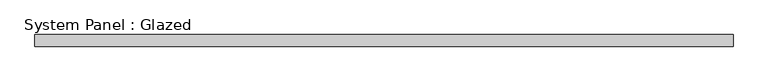
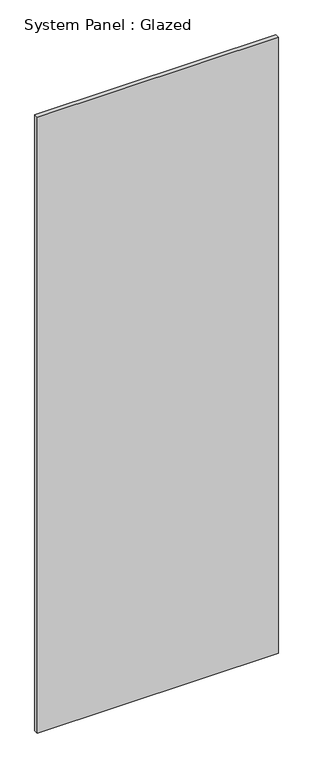
"""IFC4 building model written with IfcOpenShell, lengths in millimetres: plate geometry, System Panel : Glazed."""

from ifc_helpers import new_model, si_unit, origin, origin_with_axes, place, context, project, spatial, polyline, outline, extrude, source, transform, mapped, element, save


def system_panel_glazed_030fd686(model_context):
    return source(origin(), model_context, "Body", "SweptSolid", [
        extrude(outline(polyline([(731.7501169, 24.5), (-731.7501169, 24.5), (-731.7501169, 49.5), (731.7501169, 49.5), (731.7501169, 24.5)])), origin_with_axes(), (0.0, 0.0, 1.0), 3950.0),
    ])


if __name__ == "__main__":
    model = new_model("IFC4")
    model_context = context("Model", 3, world=origin())
    ifc_project = project(units=[si_unit("LENGTHUNIT", "METRE", prefix="MILLI")], contexts=[model_context])
    site = spatial("IfcSite", under=ifc_project)
    building = spatial("IfcBuilding", under=site)
    placement = place(None, origin())
    system_panel_glazed_shape = system_panel_glazed_030fd686(model_context)
    element("IfcPlate", 1, ObjectType="System Panel : Glazed", at=placement, inside=building, context=model_context, shape_type="MappedRepresentation", body=[
        mapped(system_panel_glazed_shape, transform((0.0, 0.0, 0.0), x_axis=(1.0, 0.0, 0.0), y_axis=(0.0, 1.0, 0.0), z_axis=(0.0, 0.0, 1.0))),
    ])
    save(model, "model.ifc")
